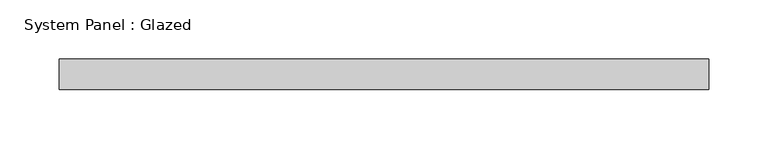
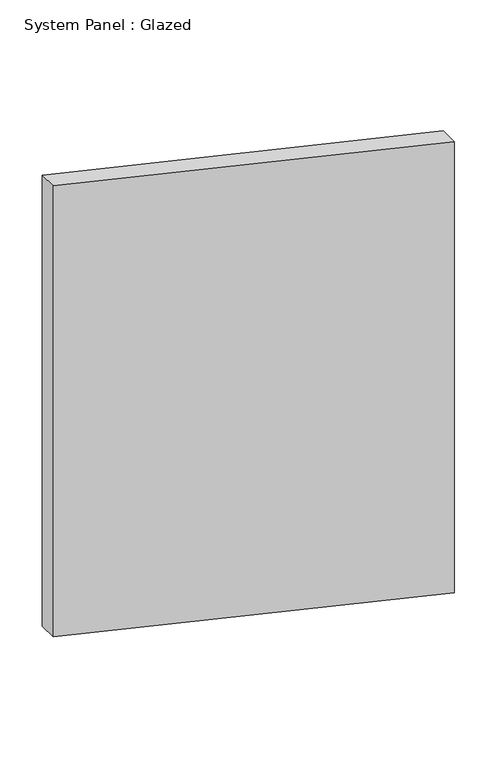
"""IFC4 building model written with IfcOpenShell, lengths in millimetres: plate geometry, System Panel : Glazed."""

from ifc_helpers import new_model, si_unit, frame, origin, place, context, project, spatial, polyline, outline, extrude, source, transform, mapped, element, save


def system_panel_glazed_79d13387(model_context):
    return source(origin(), model_context, "Body", "SweptSolid", [
        extrude(outline(polyline([(127.6370611, -273.05), (0.0, 273.05), (649.5316457, 273.05), (776.9832091, -273.05), (127.6370611, -273.05)])), frame((0.0, 19.05, 0.0), z_axis=(0.0, 1.0, 0.0), x_axis=(0.0, 0.0, 1.0)), (0.0, 0.0, 1.0), 25.4),
    ])


if __name__ == "__main__":
    model = new_model("IFC4")
    model_context = context("Model", 3, world=origin())
    ifc_project = project(units=[si_unit("LENGTHUNIT", "METRE", prefix="MILLI")], contexts=[model_context])
    site = spatial("IfcSite", under=ifc_project)
    building = spatial("IfcBuilding", under=site)
    placement = place(None, origin())
    system_panel_glazed_shape = system_panel_glazed_79d13387(model_context)
    element("IfcPlate", 1, ObjectType="System Panel : Glazed", at=placement, inside=building, context=model_context, shape_type="MappedRepresentation", body=[
        mapped(system_panel_glazed_shape, transform((0.0, 0.0, 0.0), x_axis=(1.0, 0.0, 0.0), y_axis=(0.0, 1.0, 0.0), z_axis=(0.0, 0.0, 1.0))),
    ])
    save(model, "model.ifc")
